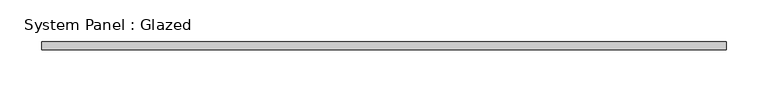
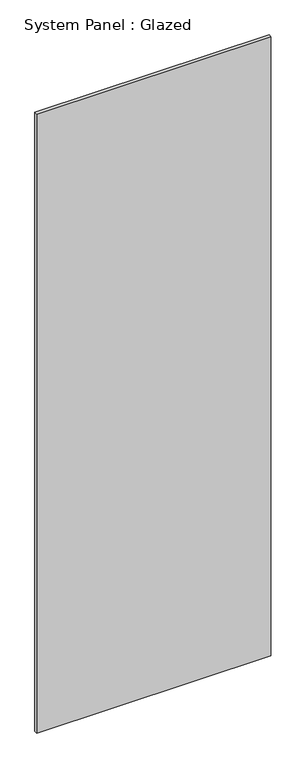
"""IFC4 building model written with IfcOpenShell, lengths in millimetres: plate geometry, System Panel : Glazed."""

from ifc_helpers import new_model, si_unit, origin, origin_with_axes, place, context, project, spatial, polyline, outline, extrude, source, transform, mapped, element, save


def system_panel_glazed_9c94fa73(model_context):
    return source(origin(), model_context, "Body", "SweptSolid", [
        extrude(outline(polyline([(411.492375, -5.0), (-411.492375, -5.0), (-411.492375, 5.0), (411.492375, 5.0), (411.492375, -5.0)])), origin_with_axes(), (0.0, 0.0, 1.0), 2300.0),
    ])


if __name__ == "__main__":
    model = new_model("IFC4")
    model_context = context("Model", 3, world=origin())
    ifc_project = project(units=[si_unit("LENGTHUNIT", "METRE", prefix="MILLI")], contexts=[model_context])
    site = spatial("IfcSite", under=ifc_project)
    building = spatial("IfcBuilding", under=site)
    placement = place(None, origin())
    system_panel_glazed_shape = system_panel_glazed_9c94fa73(model_context)
    element("IfcPlate", 1, ObjectType="System Panel : Glazed", at=placement, inside=building, context=model_context, shape_type="MappedRepresentation", body=[
        mapped(system_panel_glazed_shape, transform((0.0, 0.0, 0.0), x_axis=(1.0, 0.0, 0.0), y_axis=(0.0, 1.0, 0.0), z_axis=(0.0, 0.0, 1.0))),
    ])
    save(model, "model.ifc")
